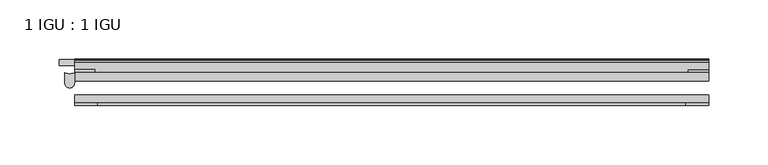
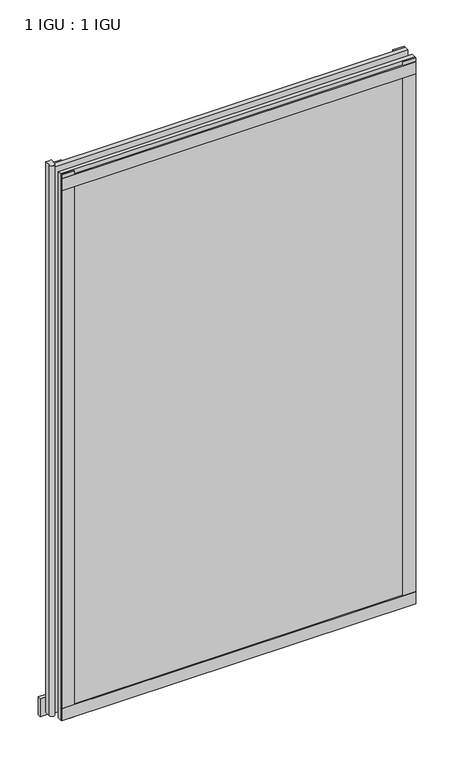
"""IFC4 building model written with IfcOpenShell, lengths in millimetres: plate geometry, 1 IGU : 1 IGU."""

from ifc_helpers import new_model, si_unit, point, frame, frame_2d, origin, place, context, project, spatial, polyline, circle_curve, trimmed, segment, composite_curve, outline, extrude, source, transform, mapped, element, save


def plate_1_igu_1_igu_6b3040c0(model_context):
    return source(origin(), model_context, "Body", "SweptSolid", [
        extrude(outline(polyline([(266.7, -11.6085937), (266.7, -18.8576359), (-266.7, -18.8576359), (-266.7, -11.6085937), (266.7, -11.6085937)])), frame((0.0, 0.0, -19.05), z_axis=(0.0, 0.0, 1.0), x_axis=(1.0, 0.0, 0.0)), (0.0, 0.0, 1.0), 869.9409101),
        extrude(outline(polyline([(-266.7, -30.7093937), (266.7, -30.7093937), (266.7, -37.0085937), (-266.7, -37.0085937), (-266.7, -30.7093937)])), frame((0.0, 0.0, -19.05), z_axis=(0.0, 0.0, 1.0), x_axis=(1.0, 0.0, 0.0)), (0.0, 0.0, 1.0), 869.9409101),
        extrude(outline(polyline([(-247.65, -5.3578125), (-279.4, -5.3578125), (-279.4, -0.4960938), (-247.65, -0.4960938), (-247.65, -5.3578125)])), frame((0.0, 0.0, -28.575), z_axis=(0.0, 0.0, 1.0), x_axis=(1.0, 0.0, 0.0)), (0.0, 0.0, 1.0), 28.575),
        extrude(outline(composite_curve([segment(trimmed(circle_curve(frame_2d((-270.7937298, -4.9389529)), 7.8257736), [point((-274.8874596, -11.6085937))], [point((-266.7, -11.6085937))], True, "CARTESIAN"), True, "CONTINUOUS"), segment(polyline([(-266.7, -11.6085937), (-266.7, -20.4985937)]), True, "CONTINUOUS"), segment(trimmed(circle_curve(frame_2d((-270.7937298, -20.4985937)), 4.0937298), [point((-266.7, -20.4985937))], [point((-274.8874596, -20.4985937))], False, "CARTESIAN"), True, "CONTINUOUS"), segment(polyline([(-274.8874596, -20.4985937), (-274.8874596, -11.6085937)]), True, "CONTINUOUS")], self_intersect=False)), frame((0.0, 0.0, -19.05), z_axis=(0.0, 0.0, 1.0), x_axis=(1.0, 0.0, 0.0)), (0.0, 0.0, 1.0), 877.0783101),
        extrude(outline(polyline([(-266.7, -39.2945937), (-266.7, -37.0085937), (266.7, -37.0085937), (266.7, -39.2945937), (-266.7, -39.2945937)])), frame((0.0, 0.0, -19.05), z_axis=(0.0, 0.0, 1.0), x_axis=(1.0, 0.0, 0.0)), (0.0, 0.0, 1.0), 19.05),
        extrude(outline(composite_curve([segment(trimmed(circle_curve(frame_2d((-2.5575611, 32.8538976)), 31.3272753), [point((-11.6085937, 2.8626158))], [point((-2.2024699, 1.5286348))], True, "CARTESIAN"), True, "CONTINUOUS"), segment(polyline([(-2.2024699, 1.5286348), (-2.2024699, 0.0), (-5.2585937, 0.0), (-5.2585937, -5.2345509), (-3.3544944, -5.5797863), (-5.2585937, -8.255), (-5.2585937, -11.471876)]), True, "CONTINUOUS"), segment(trimmed(circle_curve(frame_2d((-6.5285937, -11.471876)), 1.27), [point((-5.2585937, -11.471876))], [point((-7.4547667, -12.340843))], False, "CARTESIAN"), True, "CONTINUOUS"), segment(polyline([(-7.4547667, -12.340843), (-11.6085937, -7.9135609), (-11.6085937, 2.8626158)]), True, "CONTINUOUS")], self_intersect=False)), frame((-266.7, 0.0, 0.0), z_axis=(1.0, 0.0, 0.0), x_axis=(0.0, 1.0, 0.0)), (0.0, 0.0, 1.0), 533.4),
        extrude(outline(composite_curve([segment(polyline([(-3.0995937, 840.8103314), (-3.0995937, 838.7783314), (-5.2585937, 838.7783314), (-5.2585937, 833.4443314), (-1.5755937, 833.4443314), (-1.5755937, 830.3963314), (-5.2585937, 830.3963314), (-5.2585937, 825.5703314), (-0.5298657, 826.2349108), (-0.4061408, 825.3545625)]), True, "CONTINUOUS"), segment(trimmed(circle_curve(frame_2d((-1.4122531, 825.2131626)), 1.016), [point((-0.4061408, 825.3545625))], [point((-1.2708533, 824.2070502))], False, "CARTESIAN"), True, "CONTINUOUS"), segment(polyline([(-1.2708533, 824.2070502), (-11.6085937, 822.7541756), (-11.6085937, 840.8103314), (-3.0995937, 840.8103314)]), True, "CONTINUOUS")], self_intersect=False)), frame((-266.7, 0.0, 0.0), z_axis=(1.0, 0.0, 0.0), x_axis=(0.0, 1.0, 0.0)), (0.0, 0.0, 1.0), 533.4),
        extrude(outline(polyline([(-266.7, -39.2945937), (-266.7, -37.0085937), (266.7, -37.0085937), (266.7, -39.2945937), (-266.7, -39.2945937)])), frame((0.0, 0.0, 825.4909101), z_axis=(0.0, 0.0, 1.0), x_axis=(1.0, 0.0, 0.0)), (0.0, 0.0, 1.0), 19.05),
        extrude(outline(polyline([(247.65, -37.0085937), (266.7, -37.0085937), (266.7, -39.2945938), (247.65, -39.2945938), (247.65, -37.0085937)])), frame((0.0, 0.0, -19.05), z_axis=(0.0, 0.0, 1.0), x_axis=(1.0, 0.0, 0.0)), (0.0, 0.0, 1.0), 869.9409101),
        extrude(outline(polyline([(266.7, -9.3247196), (266.7, -11.6085937), (249.6185, -11.6085937), (249.6185, -9.3247196), (266.7, -9.3247196)])), frame((0.0, 0.0, -19.05), z_axis=(0.0, 0.0, 1.0), x_axis=(1.0, 0.0, 0.0)), (0.0, 0.0, 1.0), 869.9409101),
        extrude(outline(polyline([(-266.7, -39.2945937), (-266.7, -37.0085937), (-247.65, -37.0085937), (-247.65, -39.2945937), (-266.7, -39.2945937)])), frame((0.0, 0.0, -19.05), z_axis=(0.0, 0.0, 1.0), x_axis=(1.0, 0.0, 0.0)), (0.0, 0.0, 1.0), 869.9409101),
        extrude(outline(polyline([(-266.7, -11.6107196), (-266.7, -9.2273437), (-249.6185, -9.2273437), (-249.6185, -11.6107196), (-266.7, -11.6107196)])), frame((0.0, 0.0, -19.05), z_axis=(0.0, 0.0, 1.0), x_axis=(1.0, 0.0, 0.0)), (0.0, 0.0, 1.0), 869.9409101),
    ])


if __name__ == "__main__":
    model = new_model("IFC4")
    model_context = context("Model", 3, world=origin())
    ifc_project = project(units=[si_unit("LENGTHUNIT", "METRE", prefix="MILLI")], contexts=[model_context])
    site = spatial("IfcSite", under=ifc_project)
    building = spatial("IfcBuilding", under=site)
    placement = place(None, origin())
    plate_1_igu_1_igu_shape = plate_1_igu_1_igu_6b3040c0(model_context)
    element("IfcPlate", 1, ObjectType="1 IGU : 1 IGU", at=placement, inside=building, context=model_context, shape_type="MappedRepresentation", body=[
        mapped(plate_1_igu_1_igu_shape, transform((0.0, 0.0, 0.0), x_axis=(1.0, 0.0, 0.0), y_axis=(0.0, 1.0, 0.0), z_axis=(0.0, 0.0, 1.0))),
    ])
    save(model, "model.ifc")
